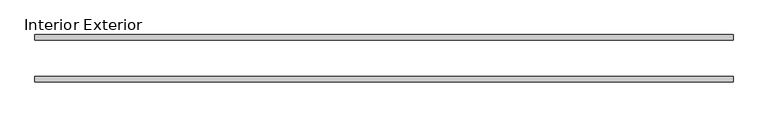
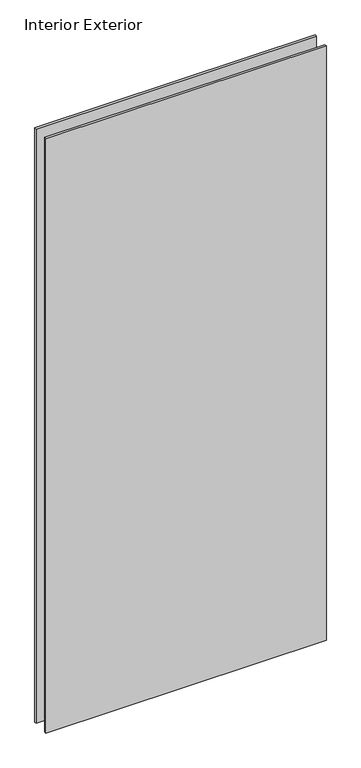
"""IFC4 building model written with IfcOpenShell, lengths in millimetres: plate geometry, Interior Exterior."""

import ifcopenshell
import ifcopenshell.guid

model = None  # the IFC model being written
_history = None  # IfcOwnerHistory: only IFC2X3 demands one
_inside = {}  # id of a spatial element -> (the spatial element, [elements in it])
_under = {}  # id of a project, library or spatial element -> (it, [spatial elements below it])
_declared = {}  # id of a project -> (the project, [libraries it declares])
_typed = {}  # id of a type object -> (the type object, [elements of that type])
_made_of = {}  # id of a material, layer set ... -> (it, [elements and type objects made of it])


def new_model(schema):
    """Start an empty IFC model of exactly this schema.

    Asked for "IFC4X3", IfcOpenShell would pick the latest addendum, in which some entities
    have other attributes; the version numbers below select the first issue.
    IFC2X3 requires an IfcOwnerHistory on every rooted entity: one is made here for all.
    """
    global model, _history
    if schema == "IFC4X3":
        model = ifcopenshell.file(schema_version=(4, 3, 0, 0))
    else:
        model = ifcopenshell.file(schema=schema)
    _inside.clear()
    _under.clear()
    _declared.clear()
    _typed.clear()
    _made_of.clear()
    _history = None
    if model.schema == "IFC2X3":
        org = make("IfcOrganization", Name="unknown")
        user = make(
            "IfcPersonAndOrganization",
            ThePerson=make("IfcPerson", FamilyName="unknown"),
            TheOrganization=org,
        )
        app = make(
            "IfcApplication",
            ApplicationDeveloper=org,
            Version="unknown",
            ApplicationFullName="unknown",
            ApplicationIdentifier="unknown",
        )
        _history = make(
            "IfcOwnerHistory",
            OwningUser=user,
            OwningApplication=app,
            ChangeAction="ADDED",
            CreationDate=0,
        )
    return model


def make(cls, **values):
    """One entity of the class cls with the attributes given. An attribute that is None is left unset."""
    return model.create_entity(
        cls, **{name: value for name, value in values.items() if value is not None}
    )


def rooted(cls, **values):
    """An entity with a GlobalId (a new one), such as an element, a storey or a relation."""
    return make(cls, GlobalId=ifcopenshell.guid.new(), OwnerHistory=_history, **values)


def si_unit(unit_type, name, prefix=None):
    """IfcSIUnit, for example si_unit("LENGTHUNIT", "METRE", prefix="MILLI")."""
    return make("IfcSIUnit", UnitType=unit_type, Prefix=prefix, Name=name)


def assignment(units):
    """IfcUnitAssignment: the units of a project."""
    return None if units is None else make("IfcUnitAssignment", Units=units)


def point(xyz):
    """IfcCartesianPoint."""
    return None if xyz is None else make("IfcCartesianPoint", Coordinates=xyz)


def direction(xyz):
    """IfcDirection."""
    return None if xyz is None else make("IfcDirection", DirectionRatios=xyz)


def frame(location, z_axis=None, x_axis=None):
    """IfcAxis2Placement3D, a coordinate frame: its origin and axes. An axis left out is left unset."""
    return make(
        "IfcAxis2Placement3D",
        Location=point(location),
        Axis=direction(z_axis),
        RefDirection=direction(x_axis),
    )


def origin():
    """The frame at (0, 0, 0) with its axes left unset."""
    return frame((0.0, 0.0, 0.0))


def origin_with_axes():
    """The frame at (0, 0, 0) with the z axis (0, 0, 1) and the x axis (1, 0, 0) written out."""
    return frame((0.0, 0.0, 0.0), z_axis=(0.0, 0.0, 1.0), x_axis=(1.0, 0.0, 0.0))


def place(relative_to, where):
    """IfcLocalPlacement: puts the frame where relative to a parent placement (None: the world)."""
    return make(
        "IfcLocalPlacement", PlacementRelTo=relative_to, RelativePlacement=where
    )


def context(
    kind, dimensions, precision=None, world=None, true_north=None, identifier=None
):
    """IfcGeometricRepresentationContext, for example the 3D "Model" context."""
    return make(
        "IfcGeometricRepresentationContext",
        ContextIdentifier=identifier,
        ContextType=kind,
        CoordinateSpaceDimension=dimensions,
        Precision=precision,
        WorldCoordinateSystem=world,
        TrueNorth=true_north,
    )


def project(units=None, contexts=None):
    """IfcProject with its units and contexts."""
    return rooted(
        "IfcProject",
        Name="project",
        RepresentationContexts=contexts,
        UnitsInContext=assignment(units),
    )


def spatial(cls, under=None, at=None, **own):
    """A site, building, storey or space (cls), placed at a placement, below another one or the project."""
    s = rooted(cls, ObjectPlacement=at, **own)
    if under is not None:
        _under.setdefault(under.id(), (under, []))[1].append(s)
    return s


def polyline(points):
    """IfcPolyline through the points."""
    return make("IfcPolyline", Points=[point(p) for p in points])


def outline(outer, holes=None, kind="AREA"):
    """IfcArbitraryClosedProfileDef: a profile drawn as a closed curve; with holes, ...WithVoids."""
    if holes is None:
        return make("IfcArbitraryClosedProfileDef", ProfileType=kind, OuterCurve=outer)
    return make(
        "IfcArbitraryProfileDefWithVoids",
        ProfileType=kind,
        OuterCurve=outer,
        InnerCurves=holes,
    )


def extrude(swept, where, along, depth):
    """IfcExtrudedAreaSolid: the profile swept, set in the frame where, extruded along a direction by depth."""
    return make(
        "IfcExtrudedAreaSolid",
        SweptArea=swept,
        Position=where,
        ExtrudedDirection=direction(along),
        Depth=depth,
    )


def shape(context_of_items, identifier, shape_type, items):
    """IfcShapeRepresentation: the items that make up one representation, for example the "Body"."""
    return make(
        "IfcShapeRepresentation",
        ContextOfItems=context_of_items,
        RepresentationIdentifier=identifier,
        RepresentationType=shape_type,
        Items=items,
    )


def source(mapping_origin, context_of_items, identifier, shape_type, items):
    """IfcRepresentationMap: a shape defined once, which mapped items show again and again."""
    return make(
        "IfcRepresentationMap",
        MappingOrigin=mapping_origin,
        MappedRepresentation=shape(context_of_items, identifier, shape_type, items),
    )


def transform(
    local_origin,
    x_axis=None,
    y_axis=None,
    z_axis=None,
    scale=None,
    scale2=None,
    scale3=None,
    uniform=True,
):
    """IfcCartesianTransformationOperator3D, or its non-uniform kind. x_axis, y_axis, z_axis: its Axis1, 2, 3."""
    if uniform:
        return make(
            "IfcCartesianTransformationOperator3D",
            Axis1=direction(x_axis),
            Axis2=direction(y_axis),
            LocalOrigin=point(local_origin),
            Scale=scale,
            Axis3=direction(z_axis),
        )
    return make(
        "IfcCartesianTransformationOperator3DnonUniform",
        Axis1=direction(x_axis),
        Axis2=direction(y_axis),
        LocalOrigin=point(local_origin),
        Scale=scale,
        Axis3=direction(z_axis),
        Scale2=scale2,
        Scale3=scale3,
    )


def mapped(mapping_source, mapping_target):
    """IfcMappedItem: shows the shape of a source again, moved by a transform."""
    return make(
        "IfcMappedItem", MappingSource=mapping_source, MappingTarget=mapping_target
    )


def made_of(thing, what):
    """Note that an element or type object is made of a material, layer set ...; save() writes the relation."""
    if what is not None:
        _made_of.setdefault(what.id(), (what, []))[1].append(thing)
    return thing


def element(
    cls,
    number,
    at=None,
    inside=None,
    cuts=None,
    type_object=None,
    material=None,
    context=None,
    identifier="Body",
    shape_type=None,
    held_by="IfcProductDefinitionShape",
    body=None,
    shapes=None,
    **own,
):
    """One element of the class cls, such as IfcWall. Its Tag is "e" and its number.

    at: its placement. inside: the storey or other place that contains it. cuts: it is an
    opening in that element (IfcRelVoidsElement). A single representation is given by context,
    identifier, shape_type and body (its items); several are given by shapes. held_by: the class
    of the entity that holds the representations. save() writes the other relations.
    """
    e = rooted(cls, Tag="e%d" % number, ObjectPlacement=at, **own)
    if body is not None:
        shapes = [shape(context, identifier, shape_type, body)]
    if shapes is not None:
        e.Representation = make(held_by, Representations=shapes)
    if inside is not None:
        _inside.setdefault(inside.id(), (inside, []))[1].append(e)
    if cuts is not None:
        rooted(
            "IfcRelVoidsElement", RelatingBuildingElement=cuts, RelatedOpeningElement=e
        )
    if type_object is not None:
        _typed.setdefault(type_object.id(), (type_object, []))[1].append(e)
    return made_of(e, material)


def aggregate(whole, parts):
    """IfcRelAggregates: a whole, such as a stair, and the parts it consists of."""
    return rooted("IfcRelAggregates", RelatingObject=whole, RelatedObjects=parts)


def save(model, path):
    """Write the relations noted so far, then the file.

    IfcRelAggregates (storeys below a building ...), IfcRelContainedInSpatialStructure (elements
    in a storey), IfcRelDefinesByType, IfcRelAssociatesMaterial and IfcRelDeclares: one each for
    every whole, place, type object, material and project.
    """
    for whole, parts in _under.values():
        aggregate(whole, parts)
    for where, things in _inside.values():
        rooted(
            "IfcRelContainedInSpatialStructure",
            RelatedElements=things,
            RelatingStructure=where,
        )
    for kind, things in _typed.values():
        rooted("IfcRelDefinesByType", RelatedObjects=things, RelatingType=kind)
    for what, things in _made_of.values():
        rooted("IfcRelAssociatesMaterial", RelatedObjects=things, RelatingMaterial=what)
    for by, libraries in _declared.values():
        rooted("IfcRelDeclares", RelatingContext=by, RelatedDefinitions=libraries)
    model.write(path)


def interior_exterior_22c004da(model_context):
    return source(origin(), model_context, "Body", "SweptSolid", [
        extrude(outline(polyline([(609.6, -41.275), (-609.6, -41.275), (-609.6, -31.75), (609.6, -31.75), (609.6, -41.275)])), origin_with_axes(), (0.0, 0.0, 1.0), 2729.9999996),
        extrude(outline(polyline([(609.6, 41.275), (609.6, 31.75), (-609.6, 31.75), (-609.6, 41.275), (609.6, 41.275)])), origin_with_axes(), (0.0, 0.0, 1.0), 2729.9999996),
    ])


if __name__ == "__main__":
    model = new_model("IFC4")
    model_context = context("Model", 3, world=origin())
    ifc_project = project(units=[si_unit("LENGTHUNIT", "METRE", prefix="MILLI")], contexts=[model_context])
    site = spatial("IfcSite", under=ifc_project)
    building = spatial("IfcBuilding", under=site)
    placement = place(None, origin())
    interior_exterior_shape = interior_exterior_22c004da(model_context)
    element("IfcPlate", 1, ObjectType="Interior Exterior", at=placement, inside=building, context=model_context, shape_type="MappedRepresentation", body=[
        mapped(interior_exterior_shape, transform((0.0, 0.0, 0.0), x_axis=(1.0, 0.0, 0.0), y_axis=(0.0, 1.0, 0.0), z_axis=(0.0, 0.0, 1.0))),
    ])
    save(model, "model.ifc")
